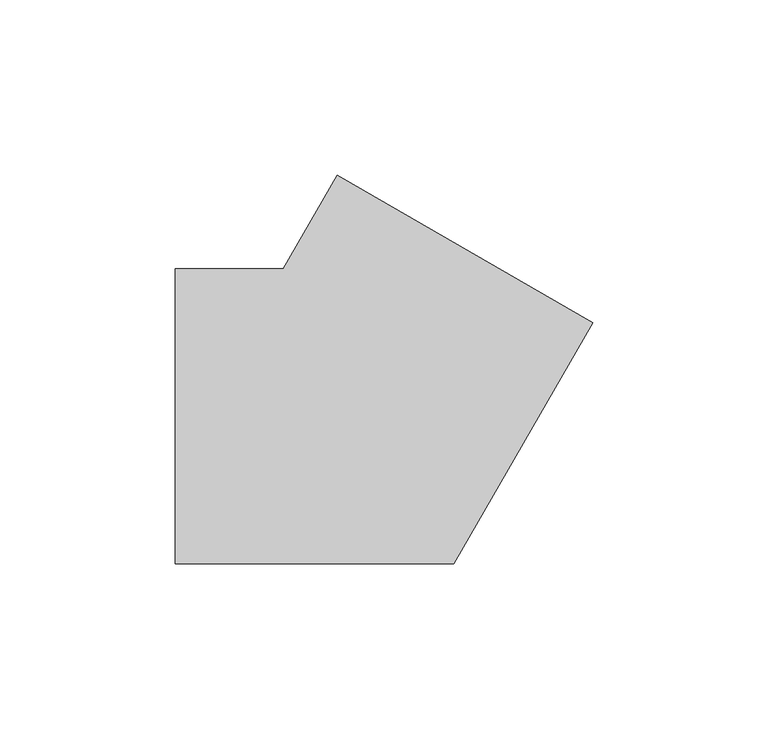
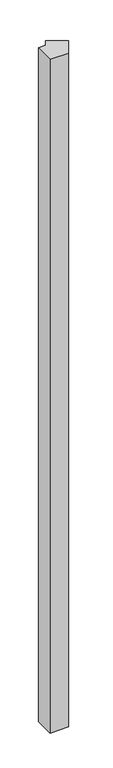
"""IFC4 building model written with IfcOpenShell, lengths in millimetres: member geometry."""

from ifc_helpers import new_model, si_unit, frame, origin, place, context, project, spatial, polyline, outline, extrude, source, transform, mapped, element, save


def member_8eb53210(model_context):
    return source(origin(), model_context, "Body", "SweptSolid", [
        extrude(outline(polyline([(63.873067, 26.6313972), (24.2487113, -42.0), (-55.0, -42.0), (-55.0, 42.0), (-24.2487113, 42.0), (-8.873067, 68.6313972), (63.873067, 26.6313972)])), frame((0.0, 0.0, -3000.0), z_axis=(0.0, 0.0, 1.0), x_axis=(1.0, 0.0, 0.0)), (0.0, 0.0, 1.0), 3000.0),
    ])


if __name__ == "__main__":
    model = new_model("IFC4")
    model_context = context("Model", 3, world=origin())
    ifc_project = project(units=[si_unit("LENGTHUNIT", "METRE", prefix="MILLI")], contexts=[model_context])
    site = spatial("IfcSite", under=ifc_project)
    building = spatial("IfcBuilding", under=site)
    placement = place(None, origin())
    member_shape = member_8eb53210(model_context)
    element("IfcMember", 1, at=placement, inside=building, context=model_context, shape_type="MappedRepresentation", body=[
        mapped(member_shape, transform((0.0, 0.0, 0.0), x_axis=(1.0, 0.0, 0.0), y_axis=(0.0, 1.0, 0.0), z_axis=(0.0, 0.0, 1.0))),
    ])
    save(model, "model.ifc")
